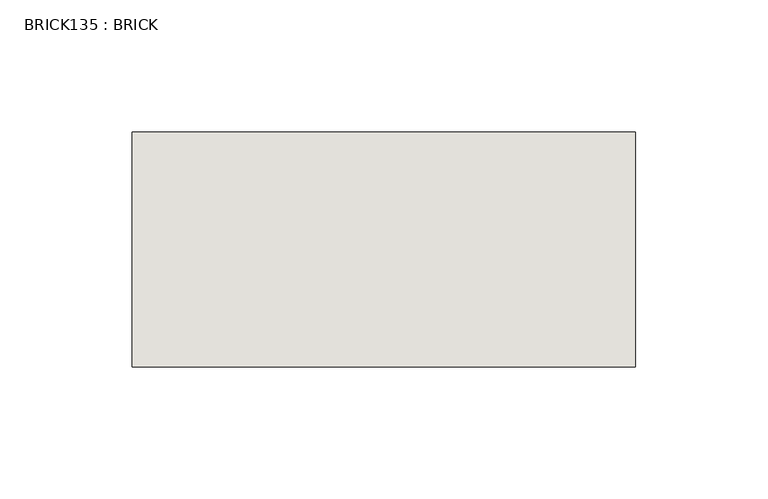
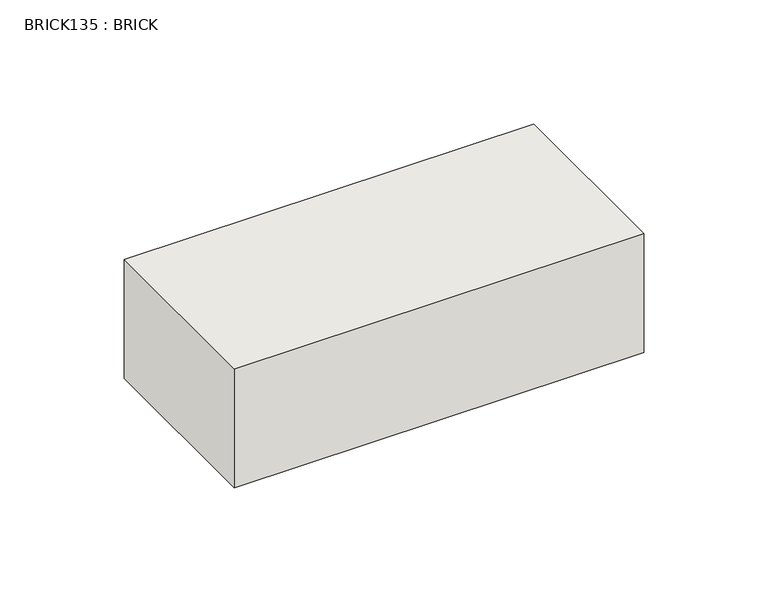
"""IFC4 building model written with IfcOpenShell, lengths in millimetres: wall geometry, BRICK135 : BRICK."""

from ifc_helpers import new_model, si_unit, frame, origin, place, context, project, spatial, polyline, outline, extrude, source, transform, mapped, element, save


def brick135_brick_7c36aad7(model_context):
    return source(origin(), model_context, "Body", "SweptSolid", [
        extrude(outline(polyline([(225.2530711, 2586.2274125), (415.7530711, 2586.2274125), (415.7530711, 2497.3274125), (225.2530711, 2497.3274125), (225.2530711, 2586.2274125)])), frame((0.0, 0.0, 353.7148438), z_axis=(0.0, 0.0, 1.0), x_axis=(1.0, 0.0, 0.0)), (0.0, 0.0, 1.0), 58.4398438),
    ])


if __name__ == "__main__":
    model = new_model("IFC4")
    model_context = context("Model", 3, world=origin())
    ifc_project = project(units=[si_unit("LENGTHUNIT", "METRE", prefix="MILLI")], contexts=[model_context])
    site = spatial("IfcSite", under=ifc_project)
    building = spatial("IfcBuilding", under=site)
    placement = place(None, origin())
    brick135_brick_shape = brick135_brick_7c36aad7(model_context)
    element("IfcWall", 1, ObjectType="BRICK135 : BRICK", at=placement, inside=building, context=model_context, shape_type="MappedRepresentation", body=[
        mapped(brick135_brick_shape, transform((0.0, 0.0, 0.0), x_axis=(1.0, 0.0, 0.0), y_axis=(0.0, 1.0, 0.0), z_axis=(0.0, 0.0, 1.0))),
    ])
    save(model, "model.ifc")
